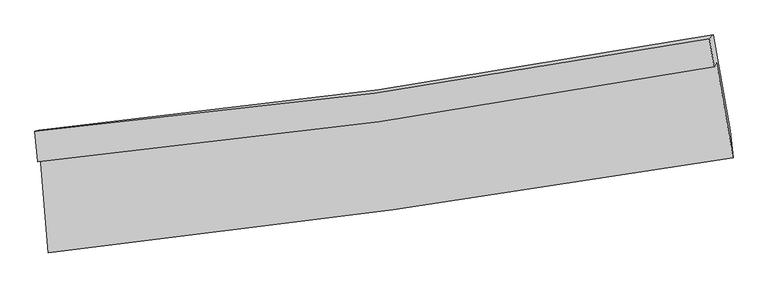
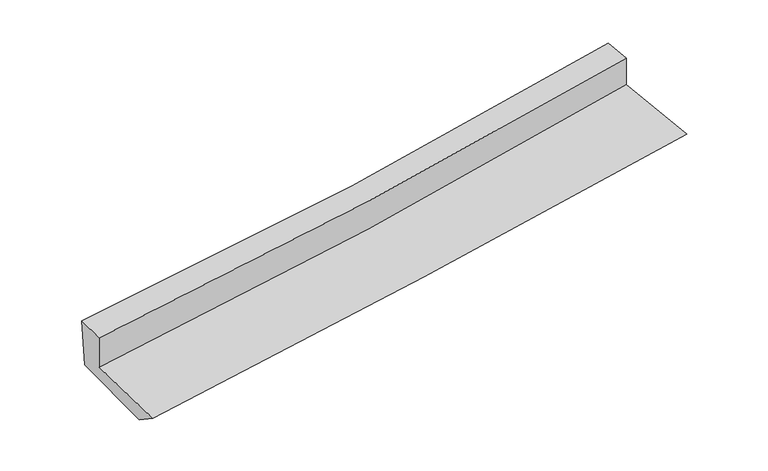
"""IFC4 building model written with IfcOpenShell, lengths in millimetres: proxy geometry."""

from ifc_helpers import new_model, si_unit, frame, origin, place, context, project, spatial, source, transform, mapped, element, save
from ifc_brep_helpers import plane_surface, spline_curve, spline_surface, advanced_brep


def generic_models_c9f3fc2f(model_context):
    return source(origin(), model_context, "Body", "AdvancedBrep", [
        advanced_brep(
        [(-2278.2204383, -1823.575389, 1738.807075), (-2224.9279935, -2458.9961056, 1681.7210705), (2336.095666, -1826.7607558, 2062.128616), (2226.0919174, -1194.7351546, 2130.3286923), (-2295.4109092, -1853.4014688, 2007.1678387), (2210.499868, -1221.7879161, 2373.7364685), (-2312.7844912, -1649.0581145, 2028.7660076), (2177.70591, -1032.6654817, 2392.6551701), (-2285.916538, -1642.0070064, 1651.4492423), (2204.6333049, -1008.1442861, 2016.7776729), (-2229.8856911, -2283.4883836, 1563.1236865), (2317.2023601, -1647.8083579, 1932.7577439)],
        [
            (0, 1),
            (1, 2, spline_curve(3, [(-2224.9279935, -2458.9961056, 1681.7210705), (-1458.987161212, -2373.484887345, 1748.138639946), (-694.189462449, -2277.754042809, 1813.187514613), (826.130929761, -2066.822728288, 1939.965092899), (1581.674451154, -1951.808456294, 2001.718733171), (2336.095666, -1826.7607558, 2062.128616)], [4, 2, 4], [0.0, 7.569797344518362, 15.07031817658201])),
            (2, 3),
            (3, 0, spline_curve(3, [(2226.0919174, -1194.7351546, 2130.3286923), (1483.692596097, -1333.310309933, 2065.085549602), (738.87024596, -1454.839070502, 1999.986493238), (-762.522240049, -1664.768824737, 1869.476613516), (-1519.137341791, -1752.853475837, 1804.068464131), (-2278.2204383, -1823.575389, 1738.807075)], [4, 2, 4], [0.0, 7.500520832063648, 15.07031817658201])),
            (4, 0),
            (3, 5),
            (5, 4, spline_curve(3, [(2210.499868, -1221.7879161, 2373.7364685), (1467.941659108, -1360.638746756, 2310.973721764), (722.907520063, -1482.534968675, 2249.180906036), (-779.016791091, -1693.387459277, 2126.973363), (-1535.952911288, -1782.029088171, 2066.576635391), (-2295.4109092, -1853.4014688, 2007.1678387)], [4, 2, 4], [0.0, 7.455937467007223, 14.980739664392454])),
            (6, 4),
            (5, 7),
            (7, 6, spline_curve(3, [(2177.70591, -1032.6654817, 2392.6551701), (1438.245042089, -1173.216487425, 2329.901870351), (696.039936715, -1294.709929197, 2268.335040803), (-800.739269891, -1500.527806016, 2147.016634894), (-1555.364298395, -1584.498575048, 2087.287076982), (-2312.7844912, -1649.0581145, 2028.7660076)], [4, 2, 4], [0.0, 7.441880663542115, 14.952496225635604])),
            (8, 6),
            (7, 9),
            (9, 8, spline_curve(3, [(2204.6333049, -1008.1442861, 2016.7776729), (1464.674009891, -1145.895873687, 1954.220367742), (722.21363722, -1267.425658885, 1892.633147084), (-774.589896023, -1479.014272539, 1770.839001091), (-1528.979470958, -1568.772060979, 1710.65007815), (-2285.916538, -1642.0070064, 1651.4492423)], [4, 2, 4], [0.0, 7.42957254079955, 14.927766299535815])),
            (10, 8),
            (9, 11),
            (11, 10, spline_curve(3, [(2317.2023601, -1647.8083579, 1932.7577439), (1565.324075395, -1771.618441407, 1871.167843349), (812.20851251, -1886.295483492, 1809.711037516), (-703.46454333, -2098.358314254, 1686.49721497), (-1466.044997615, -2195.574613932, 1624.742668428), (-2229.8856911, -2283.4883836, 1563.1236865)], [4, 2, 4], [0.0, 7.476508841790968, 15.02207241584559])),
            (1, 10),
            (11, 2),
        ],
        [
            spline_surface(3, 3, [[(-2278.2204383, -1823.575389, 1738.807075), (-1519.137341706, -1752.853475731, 1804.068464249), (-762.522239989, -1664.76882483, 1869.476613529), (738.870245901, -1454.83907041, 1999.986493225), (1483.692596119, -1333.310309886, 2065.085549684), (2226.0919174, -1194.7351546, 2130.3286923)], [(-2260.456290036, -2035.382294507, 1719.778406818), (-1499.087281503, -1959.730612916, 1785.425189488), (-739.744647496, -1869.097230837, 1850.713580595), (767.957140544, -1658.833623035, 1979.979359741), (1516.353214455, -1539.476358652, 2043.963277506), (2262.759833615, -1405.410354997, 2107.595333518)], [(-2242.692141764, -2247.189200093, 1700.749738682), (-1479.037221292, -2166.607750181, 1766.781914774), (-716.967055008, -2073.425636825, 1831.950547667), (797.044035182, -1862.828175639, 1959.972226263), (1549.013832748, -1745.642407426, 2022.841005376), (2299.427749785, -1616.085555403, 2084.861974782)], [(-2224.9279935, -2458.9961056, 1681.7210705), (-1458.987161089, -2373.484887367, 1748.138640013), (-694.189462514, -2277.754042832, 1813.187514733), (826.130929826, -2066.822728264, 1939.96509278), (1581.674451085, -1951.808456192, 2001.718733199), (2336.095666, -1826.7607558, 2062.128616)]], [4, 4], [4, 2, 4], [0.0, 2.0345499473793076], [0.0, 7.569797344518362, 15.07031817658201]),
            spline_surface(3, 3, [[(-2295.4109092, -1853.4014688, 2007.1678387), (-1535.952911226, -1782.029088272, 2066.576635456), (-779.016791171, -1693.387459219, 2126.973363009), (722.907520142, -1482.534968732, 2249.180906027), (1467.941659212, -1360.638746874, 2310.973721739), (2210.499868, -1221.7879161, 2373.7364685)], [(-2289.680752247, -1843.459442226, 1917.714250814), (-1530.3477214, -1772.303884117, 1979.073911734), (-773.518607422, -1683.847914422, 2041.141113165), (728.228428751, -1473.303002624, 2166.116101743), (1473.191971512, -1351.529267877, 2229.010997747), (2215.697217798, -1212.770328933, 2292.600543126)], [(-2283.950595253, -1833.517415574, 1828.260662886), (-1524.742531533, -1762.578679885, 1891.571187971), (-768.020423739, -1674.308369627, 1955.308863372), (733.549337293, -1464.071036518, 2083.051297509), (1478.442283819, -1342.419788882, 2147.048273676), (2220.894567602, -1203.752741767, 2211.464617674)], [(-2278.2204383, -1823.575389, 1738.807075), (-1519.137341706, -1752.853475731, 1804.068464249), (-762.522239989, -1664.76882483, 1869.476613529), (738.870245901, -1454.83907041, 1999.986493225), (1483.692596119, -1333.310309886, 2065.085549684), (2226.0919174, -1194.7351546, 2130.3286923)]], [4, 4], [4, 2, 4], [0.0, 0.8381237255581279], [0.0, 7.524802197385231, 14.980739664392454]),
            spline_surface(3, 3, [[(-2312.7844912, -1649.0581145, 2028.7660076), (-1555.364298414, -1584.498575049, 2087.287077073), (-800.739269997, -1500.527805931, 2147.016634985), (696.03993682, -1294.709929282, 2268.335040712), (1438.245042158, -1173.216487436, 2329.901870306), (2177.70591, -1032.6654817, 2392.6551701)], [(-2306.993297192, -1717.172565928, 2021.566617941), (-1548.89383601, -1650.342079451, 2080.383596508), (-793.498443733, -1564.814357039, 2140.335544348), (704.995797916, -1357.318275778, 2261.950329172), (1448.1439145, -1235.6905739, 2323.592487429), (2188.637229323, -1095.706293152, 2386.348936212)], [(-2301.202103208, -1785.287017372, 2014.367228359), (-1542.42337363, -1716.185583869, 2073.480116021), (-786.257617435, -1629.100908111, 2133.654453647), (713.951659046, -1419.926622236, 2255.565617568), (1458.042786871, -1298.164660409, 2317.283104616), (2199.568548677, -1158.747104648, 2380.042702388)], [(-2295.4109092, -1853.4014688, 2007.1678387), (-1535.952911226, -1782.029088272, 2066.576635456), (-779.016791171, -1693.387459219, 2126.973363009), (722.907520142, -1482.534968732, 2249.180906027), (1467.941659212, -1360.638746874, 2310.973721739), (2210.499868, -1221.7879161, 2373.7364685)]], [4, 4], [4, 2, 4], [0.0, 0.6328912924688644], [0.0, 7.51061556209349, 14.952496225635604]),
            spline_surface(3, 3, [[(-2285.916538, -1642.0070064, 1651.4492423), (-1528.979471063, -1568.772060875, 1710.650078188), (-774.58989601, -1479.014272608, 1770.839001022), (722.213637207, -1267.425658817, 1892.633147152), (1464.674009819, -1145.895873677, 1954.220367847), (2204.6333049, -1008.1442861, 2016.7776729)], [(-2294.872522401, -1644.357375753, 1777.221497419), (-1537.774413514, -1574.014232252, 1836.195744502), (-783.306354005, -1486.185450377, 1896.231545656), (713.489070412, -1276.520415633, 2017.867111652), (1455.864353936, -1155.002744945, 2079.447535347), (2195.657506604, -1016.318017981, 2142.07017198)], [(-2303.828506799, -1646.707745147, 1902.993752481), (-1546.569355963, -1579.256403672, 1961.741410759), (-792.022812002, -1493.356628162, 2021.624090351), (704.764503615, -1285.615172465, 2143.101076213), (1447.054698041, -1164.109616169, 2204.674702806), (2186.681708296, -1024.491749819, 2267.36267102)], [(-2312.7844912, -1649.0581145, 2028.7660076), (-1555.364298414, -1584.498575049, 2087.287077073), (-800.739269997, -1500.527805931, 2147.016634985), (696.03993682, -1294.709929282, 2268.335040712), (1438.245042158, -1173.216487436, 2329.901870306), (2177.70591, -1032.6654817, 2392.6551701)]], [4, 4], [4, 2, 4], [0.0, 1.2389712340712777], [0.0, 7.498193758736265, 14.927766299535815]),
            spline_surface(3, 3, [[(-2229.8856911, -2283.4883836, 1563.1236865), (-1466.044997609, -2195.574613894, 1624.742668494), (-703.4645434, -2098.358314227, 1686.497215047), (812.208512579, -1886.295483519, 1809.711037439), (1565.324075386, -1771.6184413, 1871.167843377), (2317.2023601, -1647.8083579, 1932.7577439)], [(-2248.562640044, -2069.661257878, 1592.56553841), (-1487.023155404, -1986.640429566, 1653.378471702), (-727.172994268, -1891.910300332, 1714.611143708), (782.21022079, -1680.00554193, 1837.35174068), (1531.774053513, -1563.044252098, 1898.852018192), (2279.679341682, -1434.587000639, 1960.764386891)], [(-2267.239589056, -1855.834132122, 1622.00739039), (-1508.001313268, -1777.706245203, 1682.01427498), (-750.881445141, -1685.462286503, 1742.725072361), (752.211928996, -1473.715600406, 1864.992443912), (1498.224031692, -1354.470062879, 1926.536193033), (2242.156323318, -1221.365643361, 1988.771029909)], [(-2285.916538, -1642.0070064, 1651.4492423), (-1528.979471063, -1568.772060875, 1710.650078188), (-774.58989601, -1479.014272608, 1770.839001022), (722.213637207, -1267.425658817, 1892.633147152), (1464.674009819, -1145.895873677, 1954.220367847), (2204.6333049, -1008.1442861, 2016.7776729)]], [4, 4], [4, 2, 4], [0.0, 2.0665854910050543], [0.0, 7.545563574054622, 15.02207241584559]),
            spline_surface(3, 3, [[(-2224.9279935, -2458.9961056, 1681.7210705), (-1458.987161089, -2373.484887367, 1748.138640013), (-694.189462514, -2277.754042832, 1813.187514733), (826.130929826, -2066.822728264, 1939.96509278), (1581.674451085, -1951.808456192, 2001.718733199), (2336.095666, -1826.7607558, 2062.128616)], [(-2226.580559381, -2400.493531609, 1642.188609198), (-1461.339773277, -2314.181462884, 1707.006649539), (-697.281156158, -2217.955466639, 1770.957414853), (821.490124061, -2006.646980024, 1896.547074348), (1576.224325863, -1891.745117893, 1958.201769931), (2329.797897378, -1767.109956498, 2019.004991973)], [(-2228.233125219, -2341.990957591, 1602.656147802), (-1463.692385421, -2254.878038376, 1665.874658969), (-700.372849756, -2158.15689042, 1728.727314927), (816.849318344, -1946.471231759, 1853.129055871), (1570.774200608, -1831.681779599, 1914.684806645), (2323.500128722, -1707.459157202, 1975.881367927)], [(-2229.8856911, -2283.4883836, 1563.1236865), (-1466.044997609, -2195.574613894, 1624.742668494), (-703.4645434, -2098.358314227, 1686.497215047), (812.208512579, -1886.295483519, 1809.711037439), (1565.324075386, -1771.6184413, 1871.167843377), (2317.2023601, -1647.8083579, 1932.7577439)]], [4, 4], [4, 2, 4], [0.0, 0.7263867471906735], [0.0, 7.603046566778141, 15.136512334202571]),
            plane_surface(frame((2245.3715044, -1321.9836587, 2151.397394), z_axis=(0.9833889485922503, 0.16241312746438696, 0.08104413497511963), x_axis=(-0.0713048291209756, -0.06493311634770618, 0.9953387924447654))),
            plane_surface(frame((-2271.1910102, -1951.7544113, 1778.5058201), z_axis=(-0.9944169335774963, -0.07691058561662778, -0.07224765763979349), x_axis=(-0.08324319342200404, 0.9925318648078086, 0.08916876185100203))),
        ],
        [
            (0, [[1, 2, 3, 4]]),
            (1, [[5, -4, 6, 7]]),
            (2, [[8, -7, 9, 10]]),
            (3, [[11, -10, 12, 13]]),
            (4, [[14, -13, 15, 16]]),
            (5, [[17, -16, 18, -2]]),
            (6, [[-12, -9, -6, -3, -18, -15]]),
            (7, [[-1, -5, -8, -11, -14, -17]]),
        ],
    ),
    ])


if __name__ == "__main__":
    model = new_model("IFC4")
    model_context = context("Model", 3, world=origin())
    ifc_project = project(units=[si_unit("LENGTHUNIT", "METRE", prefix="MILLI")], contexts=[model_context])
    site = spatial("IfcSite", under=ifc_project)
    building = spatial("IfcBuilding", under=site)
    placement = place(None, origin())
    generic_models_shape = generic_models_c9f3fc2f(model_context)
    element("IfcBuildingElementProxy", 1, Name="Generic Models", at=placement, inside=building, context=model_context, shape_type="MappedRepresentation", body=[
        mapped(generic_models_shape, transform((0.0, 0.0, 0.0), x_axis=(1.0, 0.0, 0.0), y_axis=(0.0, 1.0, 0.0), z_axis=(0.0, 0.0, 1.0))),
    ])
    save(model, "model.ifc")
